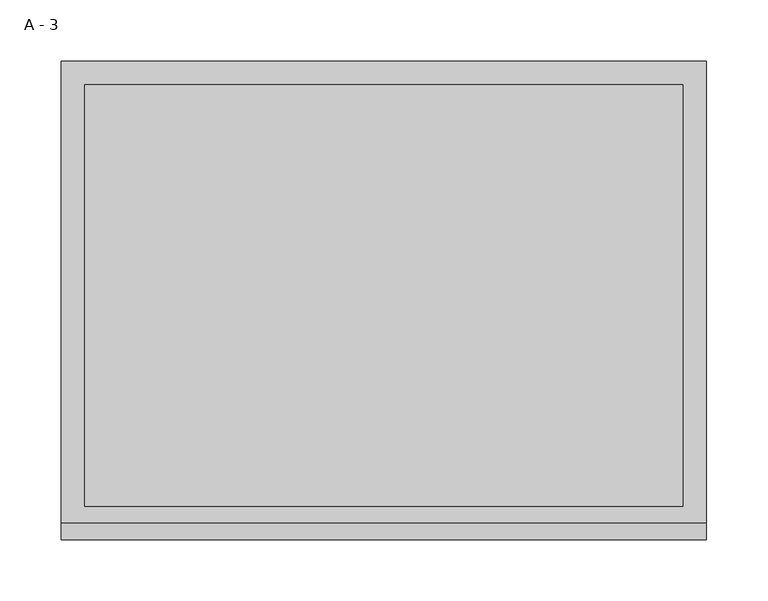
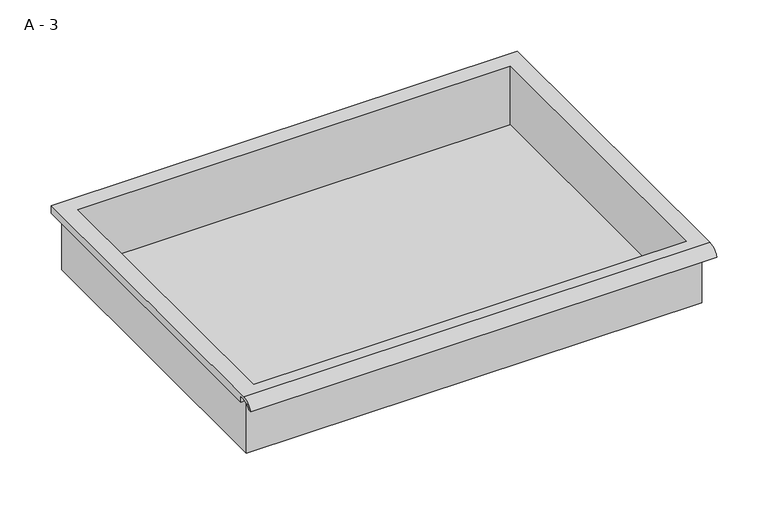
"""IFC4 building model written with IfcOpenShell, lengths in millimetres: furniture geometry, A - 3."""

from ifc_helpers import new_model, si_unit, frame, origin, place, context, project, spatial, polyline, circle_curve, source, transform, mapped, element, save
from ifc_brep_helpers import plane_surface, cylinder_surface, revolved_surface, advanced_brep


def a_3_5a1e79f3(model_context):
    return source(origin(), model_context, "Body", "AdvancedBrep", [
        advanced_brep(
        [(-257.1076517, -176.2125, 795.45942), (257.2423483, -176.2125, 795.45942), (257.2423483, -176.2125, 858.95942), (263.5923483, -176.2125, 858.95942), (263.5923483, -176.2125, 865.2665541), (-263.4576517, -176.2125, 865.2665541), (-263.4576517, -176.2125, 858.95942), (-257.1076517, -176.2125, 858.95942), (257.2423483, 185.7375, 795.45942), (-257.1076517, 185.7375, 795.45942), (-257.1076517, 185.7375, 858.95942), (257.2423483, 185.7375, 858.95942), (263.5923483, -181.6070544, 868.48442), (263.5923483, 195.2625, 868.48442), (-263.4576517, 195.2625, 868.48442), (-263.4576517, -181.6070544, 868.48442), (244.5423483, -168.275, 868.48442), (-244.4076517, -168.275, 868.48442), (-244.4076517, 176.2125, 868.48442), (244.5423483, 176.2125, 868.48442), (263.5923483, -195.2625, 858.95942), (263.5923483, -191.8280601, 858.95942), (263.5923483, -180.4714815, 865.2665541), (263.5923483, 195.2625, 858.95942), (-263.4576517, 195.2625, 858.95942), (-263.4576517, -180.4714815, 865.2665541), (-263.4576517, -191.8280601, 858.95942), (-263.4576517, -195.2625, 858.95942), (-244.4076517, -168.275, 798.4855919), (244.5423483, -168.275, 798.4855919), (244.5423483, 176.2125, 798.4855919), (-244.4076517, 176.2125, 798.4855919)],
        [
            (0, 1),
            (1, 2),
            (2, 3),
            (3, 4),
            (4, 5),
            (5, 6),
            (6, 7),
            (7, 0),
            (8, 9),
            (9, 10),
            (10, 11),
            (11, 8),
            (0, 9),
            (8, 1),
            (11, 2),
            (12, 13),
            (13, 14),
            (14, 15),
            (15, 12),
            (16, 17),
            (17, 18),
            (18, 19),
            (19, 16),
            (7, 10),
            (12, 20, circle_curve(frame((263.5923483, -181.6070544, 853.9334059), z_axis=(1.0, 0.0, 0.0), x_axis=(0.0, 1.0, 0.0)), 14.5510141)),
            (20, 21),
            (21, 22, circle_curve(frame((263.5923483, -181.6070544, 853.9334059), z_axis=(-1.0, 0.0, 0.0), x_axis=(0.0, 1.0, 0.0)), 11.3898979)),
            (22, 4),
            (3, 23),
            (23, 13),
            (14, 24),
            (24, 6),
            (5, 25),
            (25, 26, circle_curve(frame((-263.4576517, -181.6070544, 853.9334059), z_axis=(1.0, 0.0, 0.0), x_axis=(0.0, 1.0, 0.0)), 11.3898979)),
            (26, 27),
            (27, 15, circle_curve(frame((-263.4576517, -181.6070544, 853.9334059), z_axis=(-1.0, 0.0, 0.0), x_axis=(0.0, 1.0, 0.0)), 14.5510141)),
            (27, 20),
            (26, 21),
            (25, 22),
            (24, 23),
            (28, 29),
            (29, 30),
            (30, 31),
            (31, 28),
            (28, 17),
            (16, 29),
            (19, 30),
            (18, 31),
        ],
        [
            plane_surface(frame((257.2423483, -176.2125, 795.45942), z_axis=(0.0, -1.0, 0.0), x_axis=(1.0, 0.0, 0.0))),
            plane_surface(frame((257.2423483, 185.7375, 795.45942), z_axis=(0.0, 1.0, 0.0), x_axis=(-1.0, 0.0, 0.0))),
            plane_surface(frame((-257.1076517, -176.2125, 795.45942), z_axis=(0.0, 0.0, -1.0), x_axis=(0.0, 1.0, 0.0))),
            plane_surface(frame((257.2423483, -176.2125, 795.45942), z_axis=(1.0, 0.0, 0.0), x_axis=(0.0, 1.0, 0.0))),
            plane_surface(frame((257.2423483, -176.2125, 868.48442), z_axis=(0.0, 0.0, 1.0), x_axis=(0.0, 1.0, 0.0))),
            plane_surface(frame((-257.1076517, -176.2125, 868.48442), z_axis=(-1.0, 0.0, 0.0), x_axis=(0.0, 1.0, 0.0))),
            plane_surface(frame((263.5923483, 195.2625, 868.48442), z_axis=(1.0, 0.0, 0.0), x_axis=(0.0, -1.0, 0.0))),
            plane_surface(frame((-263.4576517, 195.2625, 868.48442), z_axis=(-1.0, 0.0, 0.0), x_axis=(0.0, 1.0, 0.0))),
            cylinder_surface(frame((-263.4576517, -181.6070544, 853.9334059), z_axis=(1.0, 0.0, 0.0), x_axis=(0.0, 1.0, 0.0)), 14.5510141),
            plane_surface(frame((263.5923483, -195.2625, 858.95942), z_axis=(0.0, -7.212409108516038e-12, -1.0), x_axis=(-1.0, 0.0, 0.0))),
            revolved_surface(polyline([(-263.4576517, -170.21715650000002, 853.9334059), (263.59234829999997, -170.21715650000002, 853.9334059)]), (-263.4576517, -181.6070544, 853.9334059), (-1.0, 0.0, 0.0)),
            plane_surface(frame((263.5923483, -180.4714815, 865.2665541), z_axis=(0.0, -1.782962839538068e-11, -1.0), x_axis=(-1.0, 0.0, 0.0))),
            plane_surface(frame((263.5923483, -176.2125, 858.95942), z_axis=(0.0, 0.0, -1.0), x_axis=(-1.0, 0.0, 0.0))),
            plane_surface(frame((263.5923483, 195.2625, 858.95942), z_axis=(0.0, 1.0, 0.0), x_axis=(-1.0, 0.0, 0.0))),
            plane_surface(frame((244.5423483, -168.275, 798.4855919), z_axis=(0.0, 0.0, 1.0), x_axis=(-1.0, 0.0, 0.0))),
            plane_surface(frame((-244.4076517, -168.275, 868.48442), z_axis=(0.0, 1.0, 0.0), x_axis=(0.0, 0.0, -1.0))),
            plane_surface(frame((244.5423483, -168.275, 868.48442), z_axis=(-1.0, 0.0, 0.0), x_axis=(0.0, 0.0, -1.0))),
            plane_surface(frame((244.5423483, 176.2125, 868.48442), z_axis=(0.0, -1.0, 0.0), x_axis=(0.0, 0.0, -1.0))),
            plane_surface(frame((-244.4076517, 176.2125, 868.48442), z_axis=(1.0, 0.0, 0.0), x_axis=(0.0, 0.0, -1.0))),
        ],
        [
            (0, [[1, 2, 3, 4, 5, 6, 7, 8]]),
            (1, [[9, 10, 11, 12]]),
            (2, [[-1, 13, -9, 14]]),
            (3, [[-14, -12, 15, -2]]),
            (4, [[16, 17, 18, 19], [20, 21, 22, 23]]),
            (5, [[-13, -8, 24, -10]]),
            (6, [[-16, 25, 26, 27, 28, -4, 29, 30]]),
            (7, [[31, 32, -6, 33, 34, 35, 36, -18]]),
            (8, [[-25, -19, -36, 37]]),
            (9, [[-26, -37, -35, 38]]),
            (10, [[-27, -38, -34, 39]]),
            (11, [[-28, -39, -33, -5]]),
            (12, [[-29, -3, -15, -11, -24, -7, -32, 40]]),
            (13, [[-30, -40, -31, -17]]),
            (14, [[41, 42, 43, 44]]),
            (15, [[-41, 45, -20, 46]]),
            (16, [[-42, -46, -23, 47]]),
            (17, [[-43, -47, -22, 48]]),
            (18, [[-44, -48, -21, -45]]),
        ],
    ),
    ])


if __name__ == "__main__":
    model = new_model("IFC4")
    model_context = context("Model", 3, world=origin())
    ifc_project = project(units=[si_unit("LENGTHUNIT", "METRE", prefix="MILLI")], contexts=[model_context])
    site = spatial("IfcSite", under=ifc_project)
    building = spatial("IfcBuilding", under=site)
    placement = place(None, origin())
    a_3_shape = a_3_5a1e79f3(model_context)
    element("IfcFurniture", 1, ObjectType="A - 3", at=placement, inside=building, context=model_context, shape_type="MappedRepresentation", body=[
        mapped(a_3_shape, transform((0.0, 0.0, 0.0), x_axis=(1.0, 0.0, 0.0), y_axis=(0.0, 1.0, 0.0), z_axis=(0.0, 0.0, 1.0))),
    ])
    save(model, "model.ifc")
